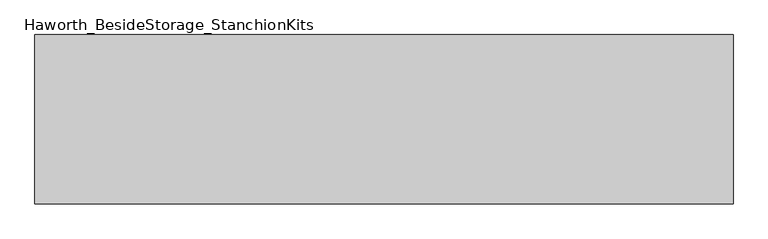
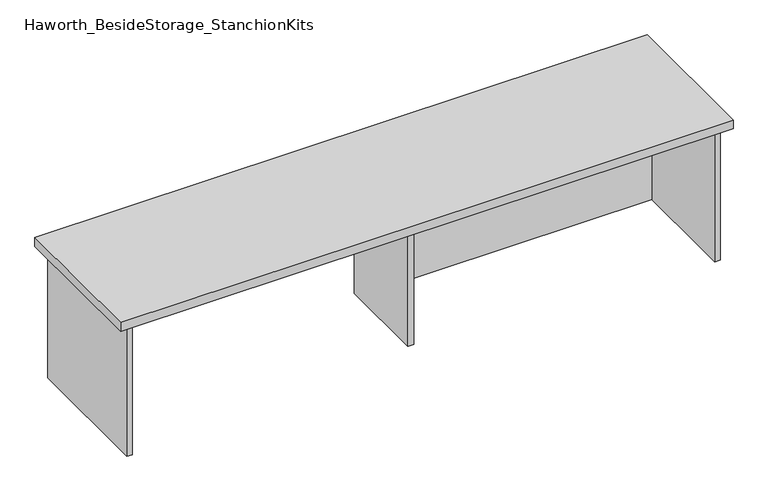
"""IFC4 building model written with IfcOpenShell, lengths in millimetres: furniture geometry, Haworth_BesideStorage_StanchionKits."""

from ifc_helpers import new_model, si_unit, frame, origin, place, context, project, spatial, polyline, outline, extrude, source, transform, mapped, element, save


def haworth_besidestorage_stanchionkits_751fe8cc(model_context):
    return source(origin(), model_context, "Body", "SweptSolid", [
        extrude(outline(polyline([(1000.125, 0.0), (1000.125, -406.4), (-676.275, -406.4), (-676.275, 0.0), (1000.125, 0.0)])), frame((0.0, 0.0, 812.8), z_axis=(0.0, 0.0, 1.0), x_axis=(1.0, 0.0, 0.0)), (0.0, 0.0, 1.0), 25.4),
        extrude(outline(polyline([(169.8625, -76.2), (958.85, -76.2), (958.85, -92.075), (169.8625, -92.075), (169.8625, -76.2)])), frame((0.0, 0.0, 431.8), z_axis=(0.0, 0.0, 1.0), x_axis=(1.0, 0.0, 0.0)), (0.0, 0.0, 1.0), 381.0),
        extrude(outline(polyline([(169.8625, -330.2), (153.9875, -330.2), (153.9875, -76.2), (169.8625, -76.2), (169.8625, -330.2)])), frame((0.0, 0.0, 431.8), z_axis=(0.0, 0.0, 1.0), x_axis=(1.0, 0.0, 0.0)), (0.0, 0.0, 1.0), 381.0),
        extrude(outline(polyline([(974.725, -390.525), (958.85, -390.525), (958.85, -15.875), (974.725, -15.875), (974.725, -390.525)])), frame((0.0, 0.0, 431.8), z_axis=(0.0, 0.0, 1.0), x_axis=(1.0, 0.0, 0.0)), (0.0, 0.0, 1.0), 381.0),
        extrude(outline(polyline([(-635.0, -390.525), (-650.875, -390.525), (-650.875, -15.875), (-635.0, -15.875), (-635.0, -390.525)])), frame((0.0, 0.0, 431.8), z_axis=(0.0, 0.0, 1.0), x_axis=(1.0, 0.0, 0.0)), (0.0, 0.0, 1.0), 381.0),
    ])


if __name__ == "__main__":
    model = new_model("IFC4")
    model_context = context("Model", 3, world=origin())
    ifc_project = project(units=[si_unit("LENGTHUNIT", "METRE", prefix="MILLI")], contexts=[model_context])
    site = spatial("IfcSite", under=ifc_project)
    building = spatial("IfcBuilding", under=site)
    placement = place(None, origin())
    haworth_besidestorage_stanchionkits_shape = haworth_besidestorage_stanchionkits_751fe8cc(model_context)
    element("IfcFurniture", 1, ObjectType="Haworth_BesideStorage_StanchionKits", at=placement, inside=building, context=model_context, shape_type="MappedRepresentation", body=[
        mapped(haworth_besidestorage_stanchionkits_shape, transform((0.0, 0.0, 0.0), x_axis=(1.0, 0.0, 0.0), y_axis=(0.0, 1.0, 0.0), z_axis=(0.0, 0.0, 1.0))),
    ])
    save(model, "model.ifc")
